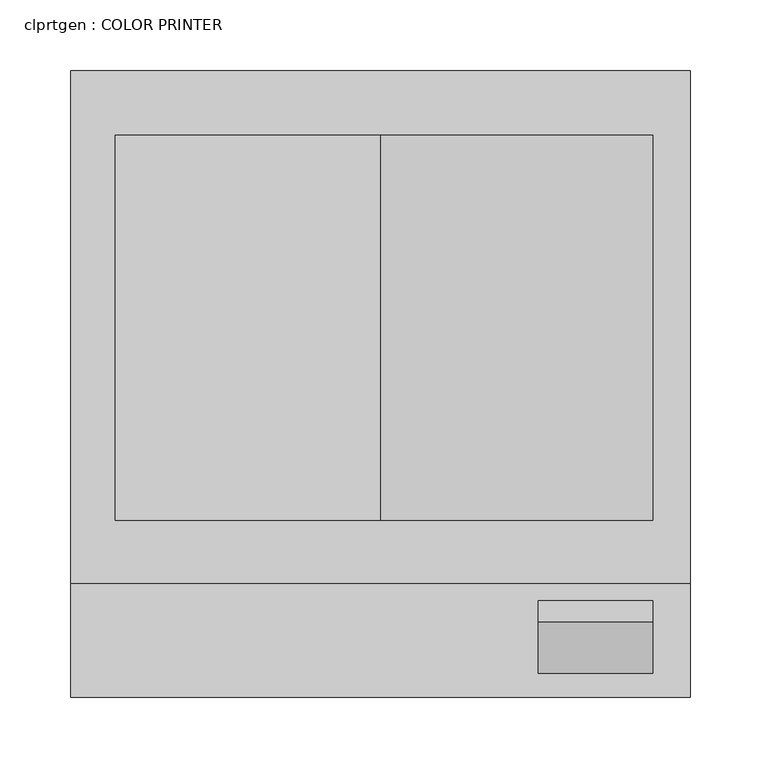
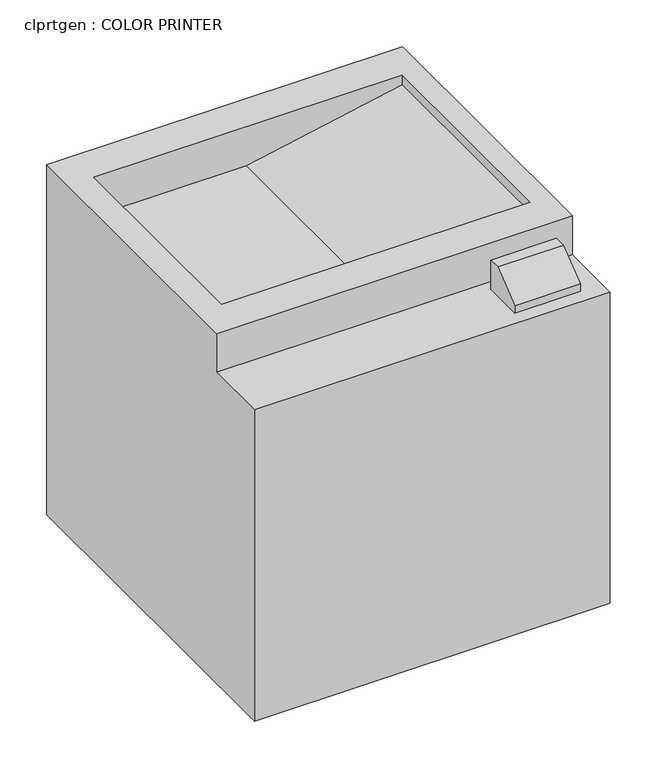
"""IFC4 building model written with IfcOpenShell, lengths in millimetres: proxy geometry, clprtgen : COLOR PRINTER."""

from ifc_helpers import new_model, si_unit, frame, origin, place, context, project, spatial, polyline, outline, extrude, faceted_brep, source, transform, mapped, element, save


def clprtgen_color_printer_eb1362d3(model_context):
    return source(origin(), model_context, "Body", "SolidModel", [
        extrude(outline(polyline([(-437.1458933, 1320.8), (-488.3831026, 1320.8), (-488.3831026, 1330.3812577), (-451.880777, 1358.9), (-437.1458933, 1358.9), (-437.1458933, 1320.8)])), frame((291.3248511, 0.0, 0.0), z_axis=(1.0, 0.0, 0.0), x_axis=(0.0, 1.0, 0.0)), (0.0, 0.0, 1.0), 81.0650702),
        faceted_brep([(399.0793622, -61.0970561, 1371.6), (-40.3406378, -61.0970561, 1371.6), (-40.3406378, -424.7551956, 1371.6), (399.0793622, -424.7551956, 1371.6), (372.3899213, -380.0021724, 1371.6), (-8.6100787, -380.0021724, 1371.6), (-8.6100787, -107.0017073, 1371.6), (372.3899213, -107.0017073, 1371.6), (-40.3406378, -505.5970561, 914.4), (-40.3406378, -61.0970561, 914.4), (399.0793622, -61.0970561, 914.4), (399.0793622, -505.5970561, 914.4), (399.0793622, -505.5970561, 1320.8), (-40.3406378, -505.5970561, 1320.8), (399.0793622, -424.7551956, 1320.8), (-40.3406378, -424.7551956, 1320.8), (372.3899213, -380.0021724, 1358.9), (179.3693622, -380.0021724, 1320.8), (-8.6100787, -380.0021724, 1320.8), (-8.6100787, -107.0017073, 1320.8), (179.3693622, -107.0017073, 1320.8), (372.3899213, -107.0017073, 1358.9)], [[[0, 1, 2, 3], [4, 5, 6, 7]], [[8, 9, 10, 11]], [[8, 11, 12, 13]], [[11, 10, 0, 3, 14, 12]], [[1, 0, 10, 9]], [[9, 8, 13, 15, 2, 1]], [[14, 15, 13, 12]], [[15, 14, 3, 2]], [[4, 16, 17, 18, 5]], [[6, 19, 20, 21, 7]], [[5, 18, 19, 6]], [[18, 17, 20, 19]], [[17, 16, 21, 20]], [[16, 4, 7, 21]]]),
    ])


if __name__ == "__main__":
    model = new_model("IFC4")
    model_context = context("Model", 3, world=origin())
    ifc_project = project(units=[si_unit("LENGTHUNIT", "METRE", prefix="MILLI")], contexts=[model_context])
    site = spatial("IfcSite", under=ifc_project)
    building = spatial("IfcBuilding", under=site)
    placement = place(None, origin())
    clprtgen_color_printer_shape = clprtgen_color_printer_eb1362d3(model_context)
    element("IfcBuildingElementProxy", 1, Name="clprtgen : COLOR PRINTER", ObjectType="clprtgen : COLOR PRINTER", at=placement, inside=building, context=model_context, shape_type="MappedRepresentation", body=[
        mapped(clprtgen_color_printer_shape, transform((0.0, 0.0, 0.0), x_axis=(1.0, 0.0, 0.0), y_axis=(0.0, 1.0, 0.0), z_axis=(0.0, 0.0, 1.0))),
    ])
    save(model, "model.ifc")
